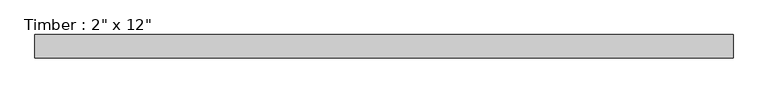
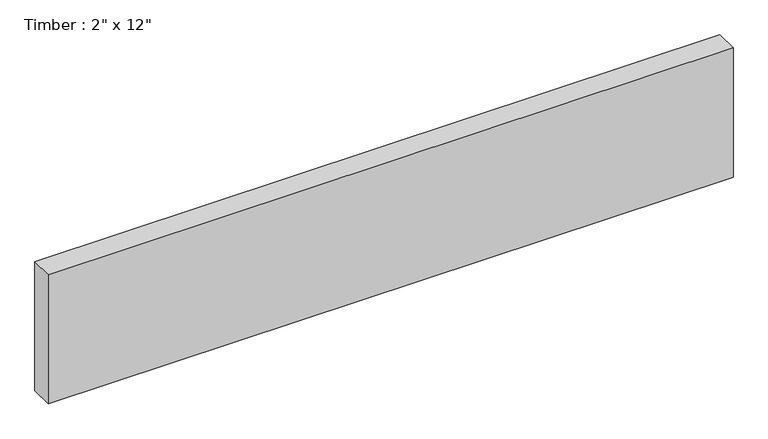
"""IFC4 building model written with IfcOpenShell, lengths in millimetres: beam geometry."""

from ifc_helpers import new_model, si_unit, frame, origin, place, context, project, spatial, polyline, outline, extrude, source, transform, mapped, element, save


def beam_97ddc345(model_context):
    return source(origin(), model_context, "Body", "SweptSolid", [
        extrude(outline(polyline([(777.8749994, 25.4), (777.8749994, -25.4), (-752.475, -25.4), (-752.475, 25.4), (777.8749994, 25.4)])), frame((0.0, 0.0, -152.4), z_axis=(0.0, 0.0, 1.0), x_axis=(1.0, 0.0, 0.0)), (0.0, 0.0, 1.0), 304.8),
    ])


if __name__ == "__main__":
    model = new_model("IFC4")
    model_context = context("Model", 3, world=origin())
    ifc_project = project(units=[si_unit("LENGTHUNIT", "METRE", prefix="MILLI")], contexts=[model_context])
    site = spatial("IfcSite", under=ifc_project)
    building = spatial("IfcBuilding", under=site)
    placement = place(None, origin())
    beam_shape = beam_97ddc345(model_context)
    element("IfcBeam", 1, ObjectType="Timber : 2\" x 12\"", at=placement, inside=building, context=model_context, shape_type="MappedRepresentation", body=[
        mapped(beam_shape, transform((0.0, 0.0, 0.0), x_axis=(1.0, 0.0, 0.0), y_axis=(0.0, 1.0, 0.0), z_axis=(0.0, 0.0, 1.0))),
    ])
    save(model, "model.ifc")
